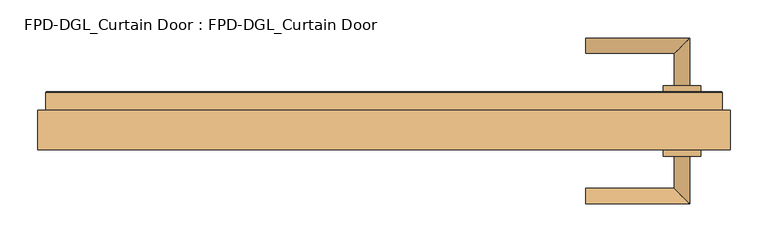
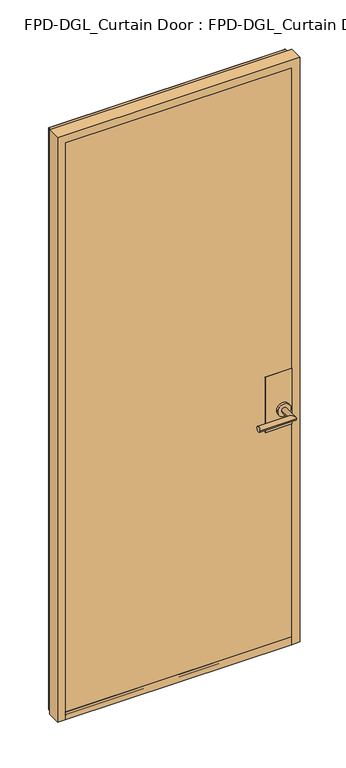
"""IFC4 building model written with IfcOpenShell, lengths in millimetres: door geometry, FPD-DGL_Curtain Door : FPD-DGL_Curtain Door."""

import ifcopenshell
import ifcopenshell.guid

model = None  # the IFC model being written
_history = None  # IfcOwnerHistory: only IFC2X3 demands one
_inside = {}  # id of a spatial element -> (the spatial element, [elements in it])
_under = {}  # id of a project, library or spatial element -> (it, [spatial elements below it])
_declared = {}  # id of a project -> (the project, [libraries it declares])
_typed = {}  # id of a type object -> (the type object, [elements of that type])
_made_of = {}  # id of a material, layer set ... -> (it, [elements and type objects made of it])


def new_model(schema):
    """Start an empty IFC model of exactly this schema.

    Asked for "IFC4X3", IfcOpenShell would pick the latest addendum, in which some entities
    have other attributes; the version numbers below select the first issue.
    IFC2X3 requires an IfcOwnerHistory on every rooted entity: one is made here for all.
    """
    global model, _history
    if schema == "IFC4X3":
        model = ifcopenshell.file(schema_version=(4, 3, 0, 0))
    else:
        model = ifcopenshell.file(schema=schema)
    _inside.clear()
    _under.clear()
    _declared.clear()
    _typed.clear()
    _made_of.clear()
    _history = None
    if model.schema == "IFC2X3":
        org = make("IfcOrganization", Name="unknown")
        user = make(
            "IfcPersonAndOrganization",
            ThePerson=make("IfcPerson", FamilyName="unknown"),
            TheOrganization=org,
        )
        app = make(
            "IfcApplication",
            ApplicationDeveloper=org,
            Version="unknown",
            ApplicationFullName="unknown",
            ApplicationIdentifier="unknown",
        )
        _history = make(
            "IfcOwnerHistory",
            OwningUser=user,
            OwningApplication=app,
            ChangeAction="ADDED",
            CreationDate=0,
        )
    return model


def make(cls, **values):
    """One entity of the class cls with the attributes given. An attribute that is None is left unset."""
    return model.create_entity(
        cls, **{name: value for name, value in values.items() if value is not None}
    )


def rooted(cls, **values):
    """An entity with a GlobalId (a new one), such as an element, a storey or a relation."""
    return make(cls, GlobalId=ifcopenshell.guid.new(), OwnerHistory=_history, **values)


def si_unit(unit_type, name, prefix=None):
    """IfcSIUnit, for example si_unit("LENGTHUNIT", "METRE", prefix="MILLI")."""
    return make("IfcSIUnit", UnitType=unit_type, Prefix=prefix, Name=name)


def assignment(units):
    """IfcUnitAssignment: the units of a project."""
    return None if units is None else make("IfcUnitAssignment", Units=units)


def point(xyz):
    """IfcCartesianPoint."""
    return None if xyz is None else make("IfcCartesianPoint", Coordinates=xyz)


def direction(xyz):
    """IfcDirection."""
    return None if xyz is None else make("IfcDirection", DirectionRatios=xyz)


def frame(location, z_axis=None, x_axis=None):
    """IfcAxis2Placement3D, a coordinate frame: its origin and axes. An axis left out is left unset."""
    return make(
        "IfcAxis2Placement3D",
        Location=point(location),
        Axis=direction(z_axis),
        RefDirection=direction(x_axis),
    )


def frame_2d(location, x_axis=None):
    """IfcAxis2Placement2D, a coordinate frame in the plane: its origin and x axis."""
    return make(
        "IfcAxis2Placement2D", Location=point(location), RefDirection=direction(x_axis)
    )


def origin():
    """The frame at (0, 0, 0) with its axes left unset."""
    return frame((0.0, 0.0, 0.0))


def place(relative_to, where):
    """IfcLocalPlacement: puts the frame where relative to a parent placement (None: the world)."""
    return make(
        "IfcLocalPlacement", PlacementRelTo=relative_to, RelativePlacement=where
    )


def context(
    kind, dimensions, precision=None, world=None, true_north=None, identifier=None
):
    """IfcGeometricRepresentationContext, for example the 3D "Model" context."""
    return make(
        "IfcGeometricRepresentationContext",
        ContextIdentifier=identifier,
        ContextType=kind,
        CoordinateSpaceDimension=dimensions,
        Precision=precision,
        WorldCoordinateSystem=world,
        TrueNorth=true_north,
    )


def project(units=None, contexts=None):
    """IfcProject with its units and contexts."""
    return rooted(
        "IfcProject",
        Name="project",
        RepresentationContexts=contexts,
        UnitsInContext=assignment(units),
    )


def spatial(cls, under=None, at=None, **own):
    """A site, building, storey or space (cls), placed at a placement, below another one or the project."""
    s = rooted(cls, ObjectPlacement=at, **own)
    if under is not None:
        _under.setdefault(under.id(), (under, []))[1].append(s)
    return s


def polyline(points):
    """IfcPolyline through the points."""
    return make("IfcPolyline", Points=[point(p) for p in points])


def circle_curve(where, radius):
    """IfcCircle in the frame where."""
    return make("IfcCircle", Position=where, Radius=radius)


def ellipse_curve(where, semi_axis1, semi_axis2):
    """IfcEllipse in the frame where."""
    return make(
        "IfcEllipse", Position=where, SemiAxis1=semi_axis1, SemiAxis2=semi_axis2
    )


def trimmed(basis, trim1, trim2, sense, master):
    """IfcTrimmedCurve: the piece of a basis curve between two trims."""
    return make(
        "IfcTrimmedCurve",
        BasisCurve=basis,
        Trim1=trim1,
        Trim2=trim2,
        SenseAgreement=sense,
        MasterRepresentation=master,
    )


def segment(curve, same_sense, transition):
    """IfcCompositeCurveSegment."""
    return make(
        "IfcCompositeCurveSegment",
        Transition=transition,
        SameSense=same_sense,
        ParentCurve=curve,
    )


def composite_curve(segments, self_intersect=None):
    """IfcCompositeCurve: segments joined end to end."""
    return make("IfcCompositeCurve", Segments=segments, SelfIntersect=self_intersect)


def outline(outer, holes=None, kind="AREA"):
    """IfcArbitraryClosedProfileDef: a profile drawn as a closed curve; with holes, ...WithVoids."""
    if holes is None:
        return make("IfcArbitraryClosedProfileDef", ProfileType=kind, OuterCurve=outer)
    return make(
        "IfcArbitraryProfileDefWithVoids",
        ProfileType=kind,
        OuterCurve=outer,
        InnerCurves=holes,
    )


def extrude(swept, where, along, depth):
    """IfcExtrudedAreaSolid: the profile swept, set in the frame where, extruded along a direction by depth."""
    return make(
        "IfcExtrudedAreaSolid",
        SweptArea=swept,
        Position=where,
        ExtrudedDirection=direction(along),
        Depth=depth,
    )


def shape(context_of_items, identifier, shape_type, items):
    """IfcShapeRepresentation: the items that make up one representation, for example the "Body"."""
    return make(
        "IfcShapeRepresentation",
        ContextOfItems=context_of_items,
        RepresentationIdentifier=identifier,
        RepresentationType=shape_type,
        Items=items,
    )


def source(mapping_origin, context_of_items, identifier, shape_type, items):
    """IfcRepresentationMap: a shape defined once, which mapped items show again and again."""
    return make(
        "IfcRepresentationMap",
        MappingOrigin=mapping_origin,
        MappedRepresentation=shape(context_of_items, identifier, shape_type, items),
    )


def transform(
    local_origin,
    x_axis=None,
    y_axis=None,
    z_axis=None,
    scale=None,
    scale2=None,
    scale3=None,
    uniform=True,
):
    """IfcCartesianTransformationOperator3D, or its non-uniform kind. x_axis, y_axis, z_axis: its Axis1, 2, 3."""
    if uniform:
        return make(
            "IfcCartesianTransformationOperator3D",
            Axis1=direction(x_axis),
            Axis2=direction(y_axis),
            LocalOrigin=point(local_origin),
            Scale=scale,
            Axis3=direction(z_axis),
        )
    return make(
        "IfcCartesianTransformationOperator3DnonUniform",
        Axis1=direction(x_axis),
        Axis2=direction(y_axis),
        LocalOrigin=point(local_origin),
        Scale=scale,
        Axis3=direction(z_axis),
        Scale2=scale2,
        Scale3=scale3,
    )


def mapped(mapping_source, mapping_target):
    """IfcMappedItem: shows the shape of a source again, moved by a transform."""
    return make(
        "IfcMappedItem", MappingSource=mapping_source, MappingTarget=mapping_target
    )


def made_of(thing, what):
    """Note that an element or type object is made of a material, layer set ...; save() writes the relation."""
    if what is not None:
        _made_of.setdefault(what.id(), (what, []))[1].append(thing)
    return thing


def element(
    cls,
    number,
    at=None,
    inside=None,
    cuts=None,
    type_object=None,
    material=None,
    context=None,
    identifier="Body",
    shape_type=None,
    held_by="IfcProductDefinitionShape",
    body=None,
    shapes=None,
    **own,
):
    """One element of the class cls, such as IfcWall. Its Tag is "e" and its number.

    at: its placement. inside: the storey or other place that contains it. cuts: it is an
    opening in that element (IfcRelVoidsElement). A single representation is given by context,
    identifier, shape_type and body (its items); several are given by shapes. held_by: the class
    of the entity that holds the representations. save() writes the other relations.
    """
    e = rooted(cls, Tag="e%d" % number, ObjectPlacement=at, **own)
    if body is not None:
        shapes = [shape(context, identifier, shape_type, body)]
    if shapes is not None:
        e.Representation = make(held_by, Representations=shapes)
    if inside is not None:
        _inside.setdefault(inside.id(), (inside, []))[1].append(e)
    if cuts is not None:
        rooted(
            "IfcRelVoidsElement", RelatingBuildingElement=cuts, RelatedOpeningElement=e
        )
    if type_object is not None:
        _typed.setdefault(type_object.id(), (type_object, []))[1].append(e)
    return made_of(e, material)


def aggregate(whole, parts):
    """IfcRelAggregates: a whole, such as a stair, and the parts it consists of."""
    return rooted("IfcRelAggregates", RelatingObject=whole, RelatedObjects=parts)


def save(model, path):
    """Write the relations noted so far, then the file.

    IfcRelAggregates (storeys below a building ...), IfcRelContainedInSpatialStructure (elements
    in a storey), IfcRelDefinesByType, IfcRelAssociatesMaterial and IfcRelDeclares: one each for
    every whole, place, type object, material and project.
    """
    for whole, parts in _under.values():
        aggregate(whole, parts)
    for where, things in _inside.values():
        rooted(
            "IfcRelContainedInSpatialStructure",
            RelatedElements=things,
            RelatingStructure=where,
        )
    for kind, things in _typed.values():
        rooted("IfcRelDefinesByType", RelatedObjects=things, RelatingType=kind)
    for what, things in _made_of.values():
        rooted("IfcRelAssociatesMaterial", RelatedObjects=things, RelatingMaterial=what)
    for by, libraries in _declared.values():
        rooted("IfcRelDeclares", RelatingContext=by, RelatedDefinitions=libraries)
    model.write(path)


def plane_surface(at):
    """IfcPlane: the flat surface through the origin of the frame at, square to its z axis."""
    return make("IfcPlane", Position=at)


def cylinder_surface(at, radius):
    """IfcCylindricalSurface: all points at the distance radius from the z axis of the frame at."""
    return make("IfcCylindricalSurface", Position=at, Radius=radius)


def revolved_surface(curve, axis_point, axis_direction):
    """IfcSurfaceOfRevolution: the curve turned about the line through axis_point along axis_direction."""
    return make(
        "IfcSurfaceOfRevolution",
        SweptCurve=make("IfcArbitraryOpenProfileDef", ProfileType="CURVE", Curve=curve),
        AxisPosition=make("IfcAxis1Placement", Location=point(axis_point), Axis=direction(axis_direction)),
    )


def advanced_brep(points, edges, surfaces, faces):
    """IfcAdvancedBrep: a solid bounded by faces that lie on surfaces and meet in shared edges.

    An edge is (start, end): straight between two places in points (the first is 0);
    or (start, end, curve); or (start, end, curve, False) where it runs against its curve.
    A face is (place in surfaces, loops), or (place, loops, False) where it looks against
    its surface's normal. A loop lists edges by number (the first is 1), with a minus sign
    where the edge is run from its end to its start. The first loop is the outer one.
    """
    corners = [point(p) for p in points]
    vertices = [make("IfcVertexPoint", VertexGeometry=c) for c in corners]
    made = []
    for start, end, *more in edges:
        made.append(
            make(
                "IfcEdgeCurve",
                EdgeStart=vertices[start],
                EdgeEnd=vertices[end],
                EdgeGeometry=more[0] if more else make("IfcPolyline", Points=[corners[start], corners[end]]),
                SameSense=more[1] if len(more) > 1 else True,
            )
        )
    hull = []
    for where, loops, *sense in faces:
        bounds = []
        for j, loop in enumerate(loops):
            ring = [make("IfcOrientedEdge", EdgeElement=made[abs(k) - 1], Orientation=k > 0) for k in loop]
            bounds.append(
                make(
                    "IfcFaceOuterBound" if j == 0 else "IfcFaceBound",
                    Bound=make("IfcEdgeLoop", EdgeList=ring),
                    Orientation=True,
                )
            )
        hull.append(make("IfcAdvancedFace", Bounds=bounds, FaceSurface=surfaces[where], SameSense=sense[0] if sense else True))
    return make("IfcAdvancedBrep", Outer=make("IfcClosedShell", CfsFaces=hull))


def fpd_dgl_curtain_door_fpd_dgl_curtain_door_c611deb0(model_context):
    return source(origin(), model_context, "Body", "SolidModel", [
        advanced_brep(
        [(266.0314144, 89.1684274, 965.2), (266.0314144, 109.240371, 965.2), (382.8810548, 89.1684274, 965.2), (402.9529984, 109.240371, 965.2), (382.8810548, 46.5341787, 965.2), (402.9529984, 46.5341787, 965.2)],
        [
            (0, 1, circle_curve(frame((266.0314144, 99.2043992, 965.2), z_axis=(-1.0, 0.0, 0.0), x_axis=(0.0, 1.0, 0.0)), 10.0359718)),
            (1, 0, circle_curve(frame((266.0314144, 99.2043992, 965.2), z_axis=(-1.0, 0.0, 0.0), x_axis=(0.0, 1.0, 0.0)), 10.0359718)),
            (0, 2),
            (2, 3, ellipse_curve(frame((392.9170266, 99.2043992, 965.2), z_axis=(-0.7071067811865464, 0.7071067811865488, 0.0), x_axis=(-0.7071067811865487, -0.7071067811865464, 0.0)), 14.1930074, 10.0359718)),
            (3, 1),
            (3, 2, ellipse_curve(frame((392.9170266, 99.2043992, 965.2), z_axis=(-0.7071067811865464, 0.7071067811865488, 0.0), x_axis=(-0.7071067811865487, -0.7071067811865464, 0.0)), 14.1930074, 10.0359718)),
            (4, 5, circle_curve(frame((392.9170266, 46.5341787, 965.2), z_axis=(0.0, -1.0, 0.0), x_axis=(1.0, 0.0, 0.0)), 10.0359718)),
            (5, 4, circle_curve(frame((392.9170266, 46.5341787, 965.2), z_axis=(0.0, -1.0, 0.0), x_axis=(1.0, 0.0, 0.0)), 10.0359718)),
            (2, 4),
            (5, 3),
        ],
        [
            plane_surface(frame((266.0314144, 99.2043992, 965.2), z_axis=(-1.0, 0.0, 0.0), x_axis=(0.0, 0.0, 1.0))),
            cylinder_surface(frame((266.0314144, 99.2043992, 965.2), z_axis=(-1.0, 0.0, 0.0), x_axis=(0.0, 1.0, 0.0)), 10.0359718),
            plane_surface(frame((392.9170266, 46.5341787, 965.2), z_axis=(0.0, -1.0, 0.0), x_axis=(0.0, 0.0, 1.0))),
            cylinder_surface(frame((392.9170266, 99.2043992, 965.2), z_axis=(0.0, 1.0, 0.0), x_axis=(1.0, 0.0, 0.0)), 10.0359718),
        ],
        [
            (0, [[1, 2]]),
            (1, [[-1, 3, 4, 5]]),
            (1, [[-2, -5, 6, -3]]),
            (2, [[7, 8]]),
            (3, [[-4, 9, -8, 10]]),
            (3, [[-6, -10, -7, -9]]),
        ],
    ),
        advanced_brep(
        [(382.8810548, -46.3299066, 965.2), (402.9529984, -46.3299066, 965.2), (382.8810548, -88.9641553, 965.2), (402.9529984, -109.0360989, 965.2), (266.0314144, -88.9641553, 965.2), (266.0314144, -109.0360989, 965.2)],
        [
            (0, 1, circle_curve(frame((392.9170266, -46.3299066, 965.2), z_axis=(0.0, 1.0, 0.0), x_axis=(1.0, 0.0, 0.0)), 10.0359718)),
            (1, 0, circle_curve(frame((392.9170266, -46.3299066, 965.2), z_axis=(0.0, 1.0, 0.0), x_axis=(1.0, 0.0, 0.0)), 10.0359718)),
            (0, 2),
            (2, 3, ellipse_curve(frame((392.9170266, -99.0001271, 965.2), z_axis=(0.7071067811865487, 0.7071067811865464, 0.0), x_axis=(-0.7071067811865464, 0.7071067811865487, 0.0)), 14.1930074, 10.0359718)),
            (3, 1),
            (3, 2, ellipse_curve(frame((392.9170266, -99.0001271, 965.2), z_axis=(0.7071067811865487, 0.7071067811865464, 0.0), x_axis=(-0.7071067811865464, 0.7071067811865487, 0.0)), 14.1930074, 10.0359718)),
            (4, 5, circle_curve(frame((266.0314144, -99.0001271, 965.2), z_axis=(-1.0, 0.0, 0.0), x_axis=(0.0, -1.0, 0.0)), 10.0359718)),
            (5, 4, circle_curve(frame((266.0314144, -99.0001271, 965.2), z_axis=(-1.0, 0.0, 0.0), x_axis=(0.0, -1.0, 0.0)), 10.0359718)),
            (2, 4),
            (5, 3),
        ],
        [
            plane_surface(frame((392.9170266, -46.3299066, 965.2), z_axis=(0.0, 1.0, 0.0), x_axis=(0.0, 0.0, 1.0))),
            cylinder_surface(frame((392.9170266, -46.3299066, 965.2), z_axis=(0.0, 1.0, 0.0), x_axis=(1.0, 0.0, 0.0)), 10.0359718),
            plane_surface(frame((266.0314144, -99.0001271, 965.2), z_axis=(-1.0, 0.0, 0.0), x_axis=(0.0, 0.0, 1.0))),
            cylinder_surface(frame((392.9170266, -99.0001271, 965.2), z_axis=(1.0, 0.0, 0.0), x_axis=(0.0, -1.0, 0.0)), 10.0359718),
        ],
        [
            (0, [[1, 2]]),
            (1, [[-1, 3, 4, 5]]),
            (1, [[-2, -5, 6, -3]]),
            (2, [[7, 8]]),
            (3, [[-4, 9, -8, 10]]),
            (3, [[-6, -10, -7, -9]]),
        ],
    ),
        extrude(outline(composite_curve([segment(trimmed(circle_curve(frame_2d((965.2, 392.9170266)), 24.60625), [point((965.2, 368.3107766))], [point((965.2, 417.5232766))], False, "CARTESIAN"), True, "CONTINUOUS"), segment(trimmed(circle_curve(frame_2d((965.2, 392.9170266)), 24.60625), [point((965.2, 417.5232766))], [point((965.2, 368.3107766))], False, "CARTESIAN"), True, "CONTINUOUS")], self_intersect=False)), frame((0.0, -46.3299066, 0.0), z_axis=(0.0, 1.0, 0.0), x_axis=(0.0, 0.0, 1.0)), (0.0, 0.0, 1.0), 8.3298107),
        extrude(outline(composite_curve([segment(trimmed(circle_curve(frame_2d((965.2, 392.9170266)), 24.60625), [point((965.2, 368.3107766))], [point((965.2, 417.5232766))], False, "CARTESIAN"), True, "CONTINUOUS"), segment(trimmed(circle_curve(frame_2d((965.2, 392.9170266)), 24.60625), [point((965.2, 417.5232766))], [point((965.2, 368.3107766))], False, "CARTESIAN"), True, "CONTINUOUS")], self_intersect=False)), frame((0.0, 38.1999024, 0.0), z_axis=(0.0, 1.0, 0.0), x_axis=(0.0, 0.0, 1.0)), (0.0, 0.0, 1.0), 8.3342763),
        extrude(outline(polyline([(426.4170866, -38.0000959), (326.416974, -38.0000959), (326.416974, -36.6000989), (426.4170866, -36.6000989), (426.4170866, -38.0000959)])), frame((0.0, 0.0, 893.55), z_axis=(0.0, 0.0, 1.0), x_axis=(1.0, 0.0, 0.0)), (0.0, 0.0, 1.0), 220.0),
        extrude(outline(polyline([(426.4170866, 36.7999054), (326.416974, 36.7999054), (326.416974, 38.1999024), (426.4170866, 38.1999024), (426.4170866, 36.7999054)])), frame((0.0, 0.0, 893.55), z_axis=(0.0, 0.0, 1.0), x_axis=(1.0, 0.0, 0.0)), (0.0, 0.0, 1.0), 220.0),
        extrude(outline(polyline([(-437.0132577, 28.1030481), (-437.0132577, 36.7999054), (437.0132577, 36.7999054), (437.0132577, 28.1030481), (-437.0132577, 28.1030481)])), frame((0.0, 0.0, 35.2749614), z_axis=(0.0, 0.0, 1.0), x_axis=(1.0, 0.0, 0.0)), (0.0, 0.0, 1.0), 2285.2467334),
        extrude(outline(polyline([(437.0132577, -28.0762398), (437.0132577, -36.7730971), (-437.0132577, -36.7730971), (-437.0132577, -28.0762398), (437.0132577, -28.0762398)])), frame((0.0, 0.0, 35.2749614), z_axis=(0.0, 0.0, 1.0), x_axis=(1.0, 0.0, 0.0)), (0.0, 0.0, 1.0), 2285.2467334),
        advanced_brep(
        [(456.40625, -38.0731917, 15.875), (426.4170866, -38.0731917, 15.875), (426.4170866, -36.773661, 15.875), (437.0132578, -36.773661, 15.875), (437.0132578, -28.076804, 15.875), (426.4170866, -28.076804, 15.875), (426.4170866, 28.1030481, 15.875), (437.0132577, 28.1030481, 15.875), (437.0132577, 36.7999054, 15.875), (426.4170866, 36.7999054, 15.875), (426.4170866, 38.0994357, 15.875), (445.2918767, 38.0994357, 15.875), (446.0915877, 37.2997247, 15.875), (446.0915877, 13.9501736, 15.875), (456.40625, 13.9501736, 15.875), (456.40625, -38.0731917, 2339.914687), (-456.40625, -38.0731917, 2339.914687), (-456.40625, -38.0731917, 15.875), (-426.4170866, -38.0731917, 15.875), (-426.4170866, -38.0731917, 2309.9255236), (426.4170866, -38.0731917, 2309.9255236), (426.4170866, -36.773661, 2309.9255236), (-426.4170866, -36.773661, 2309.9255236), (-426.4170866, -36.773661, 15.875), (-437.0132578, -36.773661, 15.875), (-437.0132578, -36.773661, 2320.5216948), (437.0132578, -36.773661, 2320.5216948), (437.0132578, -28.076804, 2320.5216948), (-437.0132578, -28.076804, 2320.5216948), (-437.0132578, -28.076804, 15.875), (-426.4170866, -28.076804, 15.875), (-426.4170866, -28.076804, 2309.9255236), (426.4170866, -28.076804, 2309.9255236), (426.4170866, 28.1030481, 2309.9255236), (-426.4170866, 28.1030481, 2309.9255236), (-426.4170866, 28.1030481, 15.875), (-437.0132577, 28.1030481, 15.875), (-437.0132577, 28.1030481, 2320.5216947), (437.0132577, 28.1030481, 2320.5216947), (437.0132577, 36.7999054, 2320.5216947), (-437.0132577, 36.7999054, 2320.5216947), (-437.0132577, 36.7999054, 15.875), (-426.4170866, 36.7999054, 15.875), (-426.4170866, 36.7999054, 2309.9255236), (426.4170866, 36.7999054, 2309.9255236), (426.4170866, 38.0994357, 2309.9255236), (-426.4170866, 38.0994357, 2309.9255236), (-426.4170866, 38.0994357, 15.875), (-445.2918767, 38.0994357, 15.875), (-445.2918767, 38.0994357, 2328.8003137), (445.2918767, 38.0994357, 2328.8003137), (446.0915877, 37.2997247, 2329.6000247), (446.0915877, 13.9501736, 2329.6000247), (-446.0915877, 13.9501736, 2329.6000247), (-446.0915877, 13.9501736, 15.875), (-456.40625, 13.9501736, 15.875), (-456.40625, 13.9501736, 2339.914687), (456.40625, 13.9501736, 2339.914687), (-446.0915877, 37.2997247, 15.875), (-446.0915877, 37.2997247, 2329.6000247)],
        [
            (0, 1),
            (1, 2),
            (2, 3),
            (3, 4),
            (4, 5),
            (5, 6),
            (6, 7),
            (7, 8),
            (8, 9),
            (9, 10),
            (10, 11),
            (11, 12, circle_curve(frame((445.2918767, 37.2997247, 15.875), z_axis=(0.0, 0.0, -1.0), x_axis=(0.0, -1.0, 0.0)), 0.799711)),
            (12, 13),
            (13, 14),
            (14, 0),
            (0, 15),
            (15, 16),
            (16, 17),
            (17, 18),
            (18, 19),
            (19, 20),
            (20, 1),
            (20, 21),
            (21, 2),
            (21, 22),
            (22, 23),
            (23, 24),
            (24, 25),
            (25, 26),
            (26, 3),
            (26, 27),
            (27, 4),
            (27, 28),
            (28, 29),
            (29, 30),
            (30, 31),
            (31, 32),
            (32, 5),
            (32, 33),
            (33, 6),
            (33, 34),
            (34, 35),
            (35, 36),
            (36, 37),
            (37, 38),
            (38, 7),
            (38, 39),
            (39, 8),
            (39, 40),
            (40, 41),
            (41, 42),
            (42, 43),
            (43, 44),
            (44, 9),
            (44, 45),
            (45, 10),
            (45, 46),
            (46, 47),
            (47, 48),
            (48, 49),
            (49, 50),
            (50, 11),
            (50, 51, ellipse_curve(frame((445.2918767, 37.2997247, 2328.8003137), z_axis=(0.7071067811865475, 0.0, -0.7071067811865475), x_axis=(-0.7071067811865474, 0.0, -0.7071067811865476)), 1.1309622, 0.799711)),
            (51, 12),
            (51, 52),
            (52, 13),
            (52, 53),
            (53, 54),
            (54, 55),
            (55, 56),
            (56, 57),
            (57, 14),
            (57, 15),
            (16, 56),
            (55, 17),
            (54, 58),
            (58, 48, circle_curve(frame((-445.2918767, 37.2997247, 15.875), z_axis=(0.0, 0.0, -1.0), x_axis=(0.0, -1.0, 0.0)), 0.799711)),
            (47, 42),
            (41, 36),
            (35, 30),
            (29, 24),
            (23, 18),
            (22, 19),
            (28, 25),
            (34, 31),
            (40, 37),
            (46, 43),
            (59, 49, ellipse_curve(frame((-445.2918767, 37.2997247, 2328.8003137), z_axis=(-0.7071067811865475, 0.0, -0.7071067811865475), x_axis=(-0.7071067811865474, 0.0, 0.7071067811865476)), 1.1309622, 0.799711)),
            (58, 59),
            (53, 59),
            (59, 51),
        ],
        [
            plane_surface(frame((456.40625, 0.0134041, 15.875), z_axis=(0.0, 0.0, -1.0), x_axis=(0.0, -1.0, 0.0))),
            plane_surface(frame((456.40625, -38.0731917, 15.875), z_axis=(0.0, -1.0, 0.0), x_axis=(0.0, 0.0, 1.0))),
            plane_surface(frame((426.4170866, -38.0731917, 15.875), z_axis=(-1.0, 0.0, 0.0), x_axis=(0.0, 0.0, 1.0))),
            plane_surface(frame((426.4170866, -36.773661, 15.875), z_axis=(0.0, 1.0, 0.0), x_axis=(0.0, 0.0, 1.0))),
            plane_surface(frame((437.0132578, -36.773661, 15.875), z_axis=(-1.0, 0.0, 0.0), x_axis=(0.0, 0.0, 1.0))),
            plane_surface(frame((437.0132578, -28.076804, 15.875), z_axis=(0.0, -1.0, 0.0), x_axis=(0.0, 0.0, 1.0))),
            plane_surface(frame((426.4170866, -28.076804, 15.875), z_axis=(-1.0, 0.0, 0.0), x_axis=(0.0, 0.0, 1.0))),
            plane_surface(frame((426.4170866, 28.1030481, 15.875), z_axis=(0.0, 1.0, 0.0), x_axis=(0.0, 0.0, 1.0))),
            plane_surface(frame((437.0132577, 28.1030481, 15.875), z_axis=(-1.0, 0.0, 0.0), x_axis=(0.0, 0.0, 1.0))),
            plane_surface(frame((437.0132577, 36.7999054, 15.875), z_axis=(0.0, -1.0, 0.0), x_axis=(0.0, 0.0, 1.0))),
            plane_surface(frame((426.4170866, 36.7999054, 15.875), z_axis=(-1.0, 0.0, 0.0), x_axis=(0.0, 0.0, 1.0))),
            plane_surface(frame((426.4170866, 38.0994357, 15.875), z_axis=(0.0, 1.0, 0.0), x_axis=(0.0, 0.0, 1.0))),
            cylinder_surface(frame((445.2918767, 37.2997247, 15.875), z_axis=(0.0, 0.0, -1.0), x_axis=(0.0, -1.0, 0.0)), 0.799711),
            plane_surface(frame((446.0915877, 37.2997247, 15.875), z_axis=(1.0, 0.0, 0.0), x_axis=(0.0, 0.0, 1.0))),
            plane_surface(frame((446.0915877, 13.9501736, 15.875), z_axis=(0.0, 1.0, 0.0), x_axis=(0.0, 0.0, 1.0))),
            plane_surface(frame((456.40625, 13.9501736, 15.875), z_axis=(1.0, 0.0, 0.0), x_axis=(0.0, 0.0, 1.0))),
            plane_surface(frame((-456.40625, 13.9501736, 2339.914687), z_axis=(-1.0, 0.0, 0.0), x_axis=(0.0, 0.0, -1.0))),
            plane_surface(frame((-456.40625, 0.0134041, 15.875), z_axis=(0.0, 0.0, -1.0), x_axis=(0.0, -1.0, 0.0))),
            plane_surface(frame((-426.4170866, -38.0731917, 2309.9255236), z_axis=(1.0, 0.0, 0.0), x_axis=(0.0, 0.0, -1.0))),
            plane_surface(frame((-437.0132578, -36.773661, 2320.5216948), z_axis=(1.0, 0.0, 0.0), x_axis=(0.0, 0.0, -1.0))),
            plane_surface(frame((-426.4170866, -28.076804, 2309.9255236), z_axis=(1.0, 0.0, 0.0), x_axis=(0.0, 0.0, -1.0))),
            plane_surface(frame((-437.0132577, 28.1030481, 2320.5216947), z_axis=(1.0, 0.0, 0.0), x_axis=(0.0, 0.0, -1.0))),
            plane_surface(frame((-426.4170866, 36.7999054, 2309.9255236), z_axis=(1.0, 0.0, 0.0), x_axis=(0.0, 0.0, -1.0))),
            cylinder_surface(frame((-445.2918767, 37.2997247, 2339.914687), z_axis=(0.0, 0.0, 1.0), x_axis=(0.0, -1.0, 0.0)), 0.799711),
            plane_surface(frame((-446.0915877, 37.2997247, 2329.6000247), z_axis=(-1.0, 0.0, 0.0), x_axis=(0.0, 0.0, -1.0))),
            plane_surface(frame((426.4170866, -38.0731917, 2309.9255236), z_axis=(0.0, 0.0, -1.0), x_axis=(-1.0, 0.0, 0.0))),
            plane_surface(frame((437.0132578, -36.773661, 2320.5216948), z_axis=(0.0, 0.0, -1.0), x_axis=(-1.0, 0.0, 0.0))),
            plane_surface(frame((426.4170866, -28.076804, 2309.9255236), z_axis=(0.0, 0.0, -1.0), x_axis=(-1.0, 0.0, 0.0))),
            plane_surface(frame((437.0132577, 28.1030481, 2320.5216947), z_axis=(0.0, 0.0, -1.0), x_axis=(-1.0, 0.0, 0.0))),
            plane_surface(frame((426.4170866, 36.7999054, 2309.9255236), z_axis=(0.0, 0.0, -1.0), x_axis=(-1.0, 0.0, 0.0))),
            cylinder_surface(frame((456.40625, 37.2997247, 2328.8003137), z_axis=(1.0, 0.0, 0.0), x_axis=(0.0, -1.0, 0.0)), 0.799711),
            plane_surface(frame((446.0915877, 37.2997247, 2329.6000247), z_axis=(0.0, 0.0, 1.0), x_axis=(-1.0, 0.0, 0.0))),
            plane_surface(frame((456.40625, 13.9501736, 2339.914687), z_axis=(0.0, 0.0, 1.0), x_axis=(-1.0, 0.0, 0.0))),
        ],
        [
            (0, [[1, 2, 3, 4, 5, 6, 7, 8, 9, 10, 11, 12, 13, 14, 15]]),
            (1, [[-1, 16, 17, 18, 19, 20, 21, 22]]),
            (2, [[-2, -22, 23, 24]]),
            (3, [[-3, -24, 25, 26, 27, 28, 29, 30]]),
            (4, [[-4, -30, 31, 32]]),
            (5, [[-5, -32, 33, 34, 35, 36, 37, 38]]),
            (6, [[-6, -38, 39, 40]]),
            (7, [[-7, -40, 41, 42, 43, 44, 45, 46]]),
            (8, [[-8, -46, 47, 48]]),
            (9, [[-9, -48, 49, 50, 51, 52, 53, 54]]),
            (10, [[-10, -54, 55, 56]]),
            (11, [[-11, -56, 57, 58, 59, 60, 61, 62]]),
            (12, [[-12, -62, 63, 64]]),
            (13, [[-13, -64, 65, 66]]),
            (14, [[-14, -66, 67, 68, 69, 70, 71, 72]]),
            (15, [[-15, -72, 73, -16]]),
            (16, [[74, -70, 75, -18]]),
            (17, [[-75, -69, 76, 77, -59, 78, -51, 79, -43, 80, -35, 81, -27, 82, -19]]),
            (18, [[83, -20, -82, -26]]),
            (19, [[84, -28, -81, -34]]),
            (20, [[85, -36, -80, -42]]),
            (21, [[86, -44, -79, -50]]),
            (22, [[87, -52, -78, -58]]),
            (23, [[88, -60, -77, 89]]),
            (24, [[90, -89, -76, -68]]),
            (25, [[-23, -21, -83, -25]]),
            (26, [[-31, -29, -84, -33]]),
            (27, [[-39, -37, -85, -41]]),
            (28, [[-47, -45, -86, -49]]),
            (29, [[-55, -53, -87, -57]]),
            (30, [[-63, -61, -88, 91]]),
            (31, [[-65, -91, -90, -67]]),
            (32, [[-73, -71, -74, -17]]),
        ],
    ),
        advanced_brep(
        [(426.4170866, 28.127892, 45.8749402), (426.4170866, -28.0721576, 45.8749402), (426.4170866, -28.0721576, 35.2749614), (426.4170866, -36.2721409, 35.2749614), (426.4170866, -36.7721399, 35.7749604), (426.4170866, -36.7721402, 43.0952793), (426.4170866, -36.6721405, 44.0749436), (426.4170866, -36.6721405, 45.8749402), (426.4170866, -38.0721375, 45.8749402), (426.4170866, -38.0721375, 15.875), (426.4170866, 37.3278641, 15.875), (426.4170866, 38.1278625, 16.6749984), (426.4170866, 38.1278625, 45.8749402), (426.4170866, 36.7278654, 45.8749402), (426.4170866, 36.7278654, 44.0749434), (426.4170866, 36.8278651, 43.0952791), (426.4170866, 36.8278651, 35.2749613), (426.4170866, 28.127892, 35.2749613), (-426.6945077, 28.127892, 45.8749402), (-426.6945077, 28.127892, 35.2749613), (-426.6945077, 36.8278651, 35.2749613), (-426.6945077, 36.8278651, 43.0952791), (-426.6945077, 36.7278654, 44.0749434), (-426.6945077, 36.7278654, 45.8749402), (-426.6945077, 38.1278625, 45.8749402), (-426.6945077, 38.1278625, 16.6749984), (-426.6945077, 37.3278641, 15.875), (-426.6945077, -38.0721375, 15.875), (-426.6945077, -38.0721375, 45.8749402), (-426.6945077, -36.6721405, 45.8749402), (-426.6945077, -36.6721405, 44.0749436), (-426.6945077, -36.7721402, 43.0952793), (-426.6945077, -36.7721402, 35.7749604), (-426.6945077, -36.2721409, 35.2749614), (-426.6945077, -28.0721576, 35.2749614), (-426.6945077, -28.0721576, 45.8749402)],
        [
            (0, 1),
            (1, 2),
            (2, 3),
            (3, 4, circle_curve(frame((426.4170866, -36.2721409, 35.7749604), z_axis=(-1.0, 0.0, 0.0), x_axis=(0.0, 0.0, -1.0)), 0.499999)),
            (4, 5),
            (5, 6),
            (6, 7),
            (7, 8),
            (8, 9),
            (9, 10),
            (10, 11, circle_curve(frame((426.4170866, 37.3278641, 16.6749984), z_axis=(1.0, 0.0, 0.0), x_axis=(0.0, 0.0, -1.0)), 0.7999984)),
            (11, 12),
            (12, 13),
            (13, 14),
            (14, 15),
            (15, 16),
            (16, 17),
            (17, 0),
            (18, 19),
            (19, 20),
            (20, 21),
            (21, 22),
            (22, 23),
            (23, 24),
            (24, 25),
            (25, 26, circle_curve(frame((-426.6945077, 37.3278641, 16.6749984), z_axis=(-1.0, 0.0, 0.0), x_axis=(0.0, 0.0, -1.0)), 0.7999984)),
            (26, 27),
            (27, 28),
            (28, 29),
            (29, 30),
            (30, 31),
            (31, 32),
            (32, 33, circle_curve(frame((-426.6945077, -36.2721409, 35.7749604), z_axis=(1.0, 0.0, 0.0), x_axis=(0.0, 0.0, -1.0)), 0.499999)),
            (33, 34),
            (34, 35),
            (35, 18),
            (0, 18),
            (35, 1),
            (34, 2),
            (33, 3),
            (32, 4),
            (31, 5),
            (30, 6),
            (29, 7),
            (28, 8),
            (27, 9),
            (26, 10),
            (25, 11),
            (24, 12),
            (23, 13),
            (22, 14),
            (21, 15),
            (20, 16),
            (19, 17),
        ],
        [
            plane_surface(frame((426.4170866, 0.0134041, 15.875), z_axis=(1.0, 0.0, 0.0), x_axis=(0.0, -1.0, 0.0))),
            plane_surface(frame((-426.6945077, 0.0134041, 15.875), z_axis=(-1.0, 0.0, 0.0), x_axis=(0.0, -1.0, 0.0))),
            plane_surface(frame((426.4170866, 28.127892, 45.8749402), z_axis=(0.0, 0.0, 1.0), x_axis=(-1.0, 0.0, 0.0))),
            plane_surface(frame((426.4170866, -28.0721576, 45.8749402), z_axis=(0.0, -1.0, 0.0), x_axis=(-1.0, 0.0, 0.0))),
            plane_surface(frame((426.4170866, -28.0721576, 35.2749614), z_axis=(0.0, 0.0, 1.0), x_axis=(-1.0, 0.0, 0.0))),
            revolved_surface(polyline([(-426.6945077, -36.2721409, 35.274961399999995), (426.4170866, -36.2721409, 35.274961399999995)]), (426.4170866, -36.2721409, 35.7749604), (-1.0, 0.0, 0.0)),
            plane_surface(frame((426.4170866, -36.7721402, 35.7749604), z_axis=(0.0, 1.0, 0.0), x_axis=(-1.0, 0.0, 0.0))),
            plane_surface(frame((426.4170866, -36.7721402, 43.0952793), z_axis=(0.0, 0.9948306566600448, -0.10154784374541988), x_axis=(-1.0, 0.0, 0.0))),
            plane_surface(frame((426.4170866, -36.6721405, 44.0749436), z_axis=(0.0, 1.0, 0.0), x_axis=(-1.0, 0.0, 0.0))),
            plane_surface(frame((426.4170866, -36.6721405, 45.8749402), z_axis=(0.0, 0.0, 1.0), x_axis=(-1.0, 0.0, 0.0))),
            plane_surface(frame((426.4170866, -38.0721375, 45.8749402), z_axis=(0.0, -1.0, 0.0), x_axis=(-1.0, 0.0, 0.0))),
            plane_surface(frame((426.4170866, -38.0721375, 15.875), z_axis=(0.0, 0.0, -1.0), x_axis=(-1.0, 0.0, 0.0))),
            cylinder_surface(frame((426.4170866, 37.3278641, 16.6749984), z_axis=(1.0, 0.0, 0.0), x_axis=(0.0, 0.0, -1.0)), 0.7999984),
            plane_surface(frame((426.4170866, 38.1278625, 16.6749984), z_axis=(0.0, 1.0, 0.0), x_axis=(-1.0, 0.0, 0.0))),
            plane_surface(frame((426.4170866, 38.1278625, 45.8749402), z_axis=(0.0, 0.0, 1.0), x_axis=(-1.0, 0.0, 0.0))),
            plane_surface(frame((426.4170866, 36.7278654, 45.8749402), z_axis=(0.0, -1.0, 0.0), x_axis=(-1.0, 0.0, 0.0))),
            plane_surface(frame((426.4170866, 36.7278654, 44.0749434), z_axis=(0.0, -0.9948306566625575, -0.10154784372080249), x_axis=(-1.0, 0.0, 0.0))),
            plane_surface(frame((426.4170866, 36.8278651, 43.0952791), z_axis=(0.0, -1.0, 0.0), x_axis=(-1.0, 0.0, 0.0))),
            plane_surface(frame((426.4170866, 36.8278651, 35.2749613), z_axis=(0.0, 0.0, 1.0), x_axis=(-1.0, 0.0, 0.0))),
            plane_surface(frame((426.4170866, 28.127892, 35.2749613), z_axis=(0.0, 1.0, 0.0), x_axis=(-1.0, 0.0, 0.0))),
        ],
        [
            (0, [[1, 2, 3, 4, 5, 6, 7, 8, 9, 10, 11, 12, 13, 14, 15, 16, 17, 18]]),
            (1, [[19, 20, 21, 22, 23, 24, 25, 26, 27, 28, 29, 30, 31, 32, 33, 34, 35, 36]]),
            (2, [[-1, 37, -36, 38]]),
            (3, [[-2, -38, -35, 39]]),
            (4, [[-3, -39, -34, 40]]),
            (5, [[-4, -40, -33, 41]]),
            (6, [[-5, -41, -32, 42]]),
            (7, [[-6, -42, -31, 43]]),
            (8, [[-7, -43, -30, 44]]),
            (9, [[-8, -44, -29, 45]]),
            (10, [[-9, -45, -28, 46]]),
            (11, [[-10, -46, -27, 47]]),
            (12, [[-11, -47, -26, 48]]),
            (13, [[-12, -48, -25, 49]]),
            (14, [[-13, -49, -24, 50]]),
            (15, [[-14, -50, -23, 51]]),
            (16, [[-15, -51, -22, 52]]),
            (17, [[-16, -52, -21, 53]]),
            (18, [[-17, -53, -20, 54]]),
            (19, [[-18, -54, -19, -37]]),
        ],
    ),
    ])


if __name__ == "__main__":
    model = new_model("IFC4")
    model_context = context("Model", 3, world=origin())
    ifc_project = project(units=[si_unit("LENGTHUNIT", "METRE", prefix="MILLI")], contexts=[model_context])
    site = spatial("IfcSite", under=ifc_project)
    building = spatial("IfcBuilding", under=site)
    placement = place(None, origin())
    fpd_dgl_curtain_door_fpd_dgl_curtain_door_shape = fpd_dgl_curtain_door_fpd_dgl_curtain_door_c611deb0(model_context)
    element("IfcDoor", 1, ObjectType="FPD-DGL_Curtain Door : FPD-DGL_Curtain Door", at=placement, inside=building, context=model_context, shape_type="MappedRepresentation", body=[
        mapped(fpd_dgl_curtain_door_fpd_dgl_curtain_door_shape, transform((0.0, 0.0, 0.0), x_axis=(1.0, 0.0, 0.0), y_axis=(0.0, 1.0, 0.0), z_axis=(0.0, 0.0, 1.0))),
    ])
    save(model, "model.ifc")
